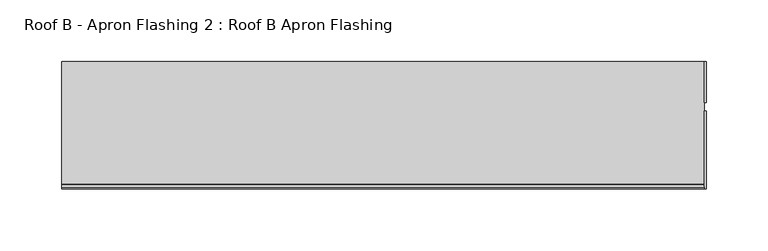
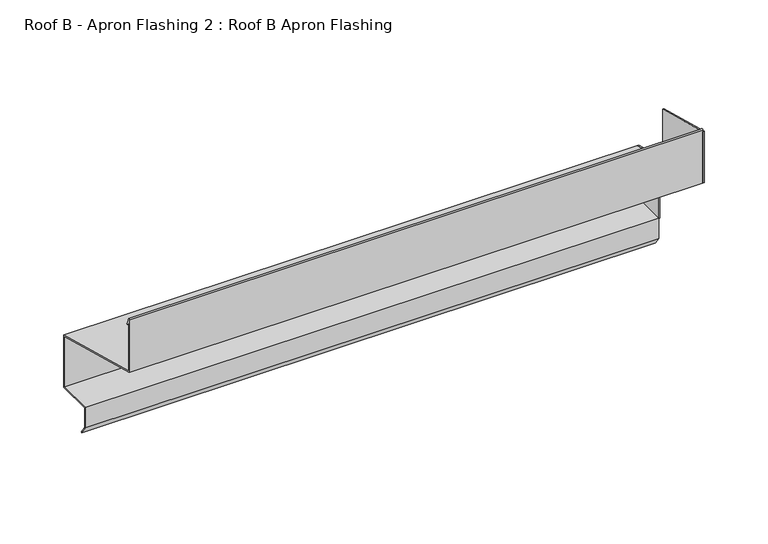
"""IFC4 building model written with IfcOpenShell, lengths in millimetres: proxy geometry, Roof B - Apron Flashing 2 : Roof B Apron Flashing."""

from ifc_helpers import new_model, si_unit, point, frame, frame_2d, origin, place, context, project, spatial, polyline, circle_curve, trimmed, segment, composite_curve, outline, extrude, source, transform, mapped, element, save


def roof_b_apron_flashing_2_roof_b_apron_flashing_b8f026f9(model_context):
    return source(origin(), model_context, "Body", "SweptSolid", [
        extrude(outline(polyline([(660.2773132, -392.0096237), (627.4023812, -392.0096237), (627.4023812, -333.2008122), (660.2773132, -342.0096237), (660.2773132, -392.0096237)])), frame((17986.0219031, 0.0, 0.0), z_axis=(1.0, 0.0, 0.0), x_axis=(0.0, 1.0, 0.0)), (0.0, 0.0, 1.0), 1.3240587),
        extrude(outline(polyline([(620.4882944, -283.1155152), (620.4882944, -332.3834644), (557.4043312, -315.4801674), (557.4043312, -266.2122183), (620.4882944, -283.1155152)])), frame((17986.0219031, 0.0, 0.0), z_axis=(1.0, 0.0, 0.0), x_axis=(0.0, 1.0, 0.0)), (0.0, 0.0, 1.0), 1.3240587),
        extrude(outline(composite_curve([segment(polyline([(660.2773132, -342.0096237), (660.2773132, -392.0096237), (627.6739483, -392.0096237), (627.6739483, -410.3959053), (632.884848, -417.8378413), (632.065696, -418.4114178), (626.6739483, -410.7112041), (626.6739483, -391.0096237), (659.2773132, -391.0096237), (659.2773132, -342.7769507), (557.4043312, -315.4801674), (557.4043312, -264.8977528)]), True, "CONTINUOUS"), segment(trimmed(circle_curve(frame_2d((558.0833754, -264.8977528)), 0.6790442), [point((557.4043312, -264.8977528))], [point((558.7129742, -264.6433784))], False, "CARTESIAN"), True, "CONTINUOUS"), segment(polyline([(558.7129742, -264.6433784), (561.1274291, -270.6193639)]), True, "CONTINUOUS"), segment(trimmed(circle_curve(frame_2d((560.6638371, -270.8066672)), 0.5), [point((561.1274291, -270.6193639))], [point((560.2002452, -270.9939705))], False, "CARTESIAN"), True, "CONTINUOUS"), segment(polyline([(560.2002452, -270.9939705), (558.4043312, -266.5489273), (558.4043312, -314.7128405), (660.2773132, -342.0096237)]), True, "CONTINUOUS")], self_intersect=False)), frame((17466.9913177, 0.0, 0.0), z_axis=(1.0, 0.0, 0.0), x_axis=(0.0, 1.0, 0.0)), (0.0, 0.0, 1.0), 519.0305854),
    ])


if __name__ == "__main__":
    model = new_model("IFC4")
    model_context = context("Model", 3, world=origin())
    ifc_project = project(units=[si_unit("LENGTHUNIT", "METRE", prefix="MILLI")], contexts=[model_context])
    site = spatial("IfcSite", under=ifc_project)
    building = spatial("IfcBuilding", under=site)
    placement = place(None, origin())
    roof_b_apron_flashing_2_roof_b_apron_flashing_shape = roof_b_apron_flashing_2_roof_b_apron_flashing_b8f026f9(model_context)
    element("IfcBuildingElementProxy", 1, Name="Roof B - Apron Flashing 2 : Roof B Apron Flashing", ObjectType="Roof B - Apron Flashing 2 : Roof B Apron Flashing", at=placement, inside=building, context=model_context, shape_type="MappedRepresentation", body=[
        mapped(roof_b_apron_flashing_2_roof_b_apron_flashing_shape, transform((0.0, 0.0, 0.0), x_axis=(1.0, 0.0, 0.0), y_axis=(0.0, 1.0, 0.0), z_axis=(0.0, 0.0, 1.0))),
    ])
    save(model, "model.ifc")
